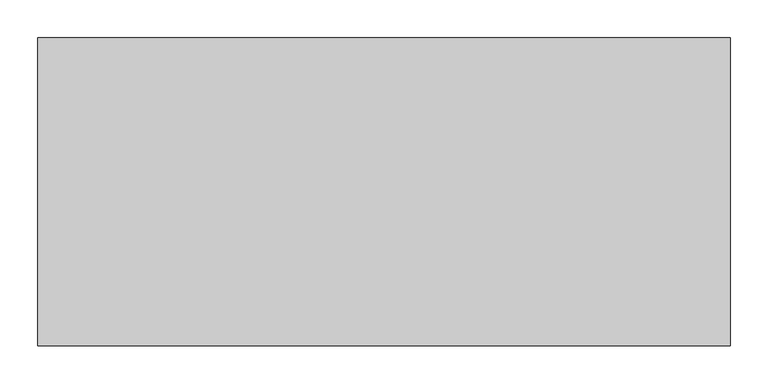
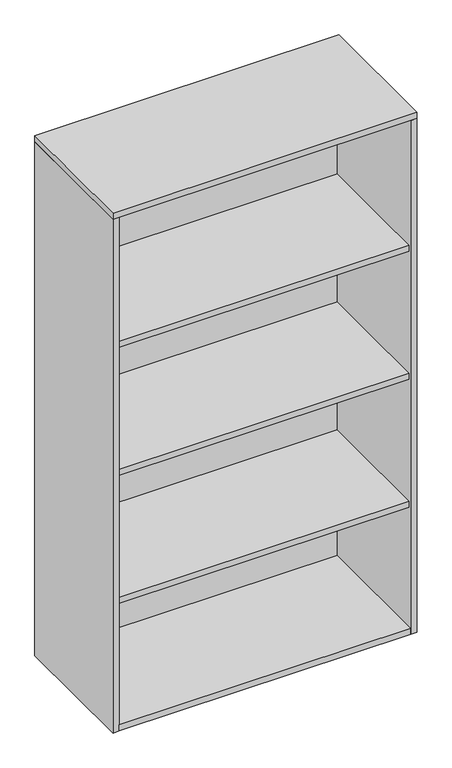
"""IFC4 building model written with IfcOpenShell, lengths in millimetres: furniture geometry."""

from ifc_helpers import new_model, si_unit, frame, origin, origin_with_axes, place, context, project, spatial, polyline, outline, extrude, source, transform, mapped, element, save


def furniture_680d600e(model_context):
    return source(origin(), model_context, "Body", "SweptSolid", [
        extrude(outline(polyline([(281.2908447, -98.425), (281.2908447, -485.775), (-595.0091553, -485.775), (-595.0091553, -98.425), (281.2908447, -98.425)])), frame((0.0, 0.0, 804.926), z_axis=(0.0, 0.0, 1.0), x_axis=(1.0, 0.0, 0.0)), (0.0, 0.0, 1.0), 19.05),
        extrude(outline(polyline([(281.2908447, -98.425), (281.2908447, -485.775), (-595.0091553, -485.775), (-595.0091553, -98.425), (281.2908447, -98.425)])), frame((0.0, 0.0, 1211.326), z_axis=(0.0, 0.0, 1.0), x_axis=(1.0, 0.0, 0.0)), (0.0, 0.0, 1.0), 19.05),
        extrude(outline(polyline([(281.2908447, -98.425), (281.2908447, -485.775), (-595.0091553, -485.775), (-595.0091553, -98.425), (281.2908447, -98.425)])), frame((0.0, 0.0, 398.526), z_axis=(0.0, 0.0, 1.0), x_axis=(1.0, 0.0, 0.0)), (0.0, 0.0, 1.0), 19.05),
        extrude(outline(polyline([(281.2908447, -93.6625), (281.2908447, -112.7125), (-595.0091553, -112.7125), (-595.0091553, -93.6625), (281.2908447, -93.6625)])), frame((0.0, 0.0, 19.05), z_axis=(0.0, 0.0, 1.0), x_axis=(1.0, 0.0, 0.0)), (0.0, 0.0, 1.0), 1612.9),
        extrude(outline(polyline([(281.2908447, -88.9), (281.2908447, -495.3), (-595.0091553, -495.3), (-595.0091553, -88.9), (281.2908447, -88.9)])), origin_with_axes(), (0.0, 0.0, 1.0), 19.05),
        extrude(outline(polyline([(300.3408447, -88.9), (300.3408447, -495.3), (-614.0591553, -495.3), (-614.0591553, -88.9), (300.3408447, -88.9)])), frame((0.0, 0.0, 1631.95), z_axis=(0.0, 0.0, 1.0), x_axis=(1.0, 0.0, 0.0)), (0.0, 0.0, 1.0), 19.05),
        extrude(outline(polyline([(-595.0091553, -88.9), (-595.0091553, -495.3), (-614.0591553, -495.3), (-614.0591553, -88.9), (-595.0091553, -88.9)])), origin_with_axes(), (0.0, 0.0, 1.0), 1631.95),
        extrude(outline(polyline([(281.2908447, -495.3), (281.2908447, -88.9), (300.3408447, -88.9), (300.3408447, -495.3), (281.2908447, -495.3)])), origin_with_axes(), (0.0, 0.0, 1.0), 1631.95),
    ])


if __name__ == "__main__":
    model = new_model("IFC4")
    model_context = context("Model", 3, world=origin())
    ifc_project = project(units=[si_unit("LENGTHUNIT", "METRE", prefix="MILLI")], contexts=[model_context])
    site = spatial("IfcSite", under=ifc_project)
    building = spatial("IfcBuilding", under=site)
    placement = place(None, origin())
    furniture_shape = furniture_680d600e(model_context)
    element("IfcFurniture", 1, at=placement, inside=building, context=model_context, shape_type="MappedRepresentation", body=[
        mapped(furniture_shape, transform((0.0, 0.0, 0.0), x_axis=(1.0, 0.0, 0.0), y_axis=(0.0, 1.0, 0.0), z_axis=(0.0, 0.0, 1.0))),
    ])
    save(model, "model.ifc")
